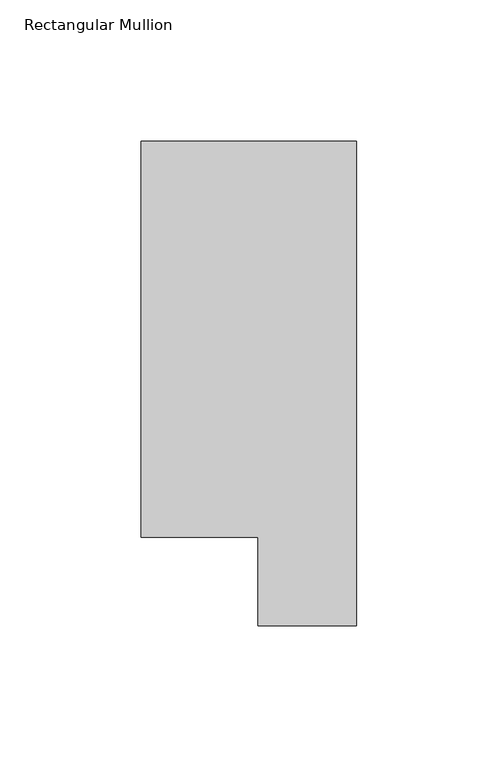
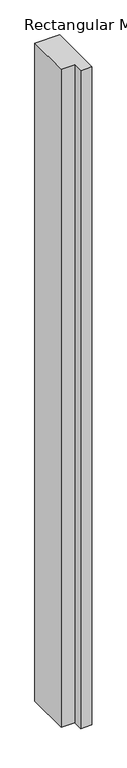
"""IFC4 building model written with IfcOpenShell, lengths in millimetres: member geometry, Rectangular Mullion."""

from ifc_helpers import new_model, si_unit, frame, origin, place, context, project, spatial, polyline, outline, extrude, source, transform, mapped, element, save


def rectangular_mullion_180a45d8(model_context):
    return source(origin(), model_context, "Body", "SweptSolid", [
        extrude(outline(polyline([(0.0, 190.7881313), (0.0, 19.5667313), (-34.9123, 19.5667313), (-34.9123, 50.820278), (-76.2, 50.820278), (-76.2, 190.7881313), (0.0, 190.7881313)])), frame((0.0, 0.0, -2133.6), z_axis=(0.0, 0.0, 1.0), x_axis=(1.0, 0.0, 0.0)), (0.0, 0.0, 1.0), 2133.6),
    ])


if __name__ == "__main__":
    model = new_model("IFC4")
    model_context = context("Model", 3, world=origin())
    ifc_project = project(units=[si_unit("LENGTHUNIT", "METRE", prefix="MILLI")], contexts=[model_context])
    site = spatial("IfcSite", under=ifc_project)
    building = spatial("IfcBuilding", under=site)
    placement = place(None, origin())
    rectangular_mullion_shape = rectangular_mullion_180a45d8(model_context)
    element("IfcMember", 1, ObjectType="Rectangular Mullion", at=placement, inside=building, context=model_context, shape_type="MappedRepresentation", body=[
        mapped(rectangular_mullion_shape, transform((0.0, 0.0, 0.0), x_axis=(1.0, 0.0, 0.0), y_axis=(0.0, 1.0, 0.0), z_axis=(0.0, 0.0, 1.0))),
    ])
    save(model, "model.ifc")
